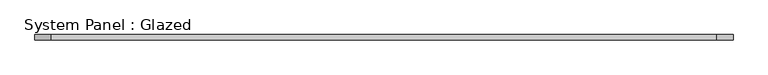
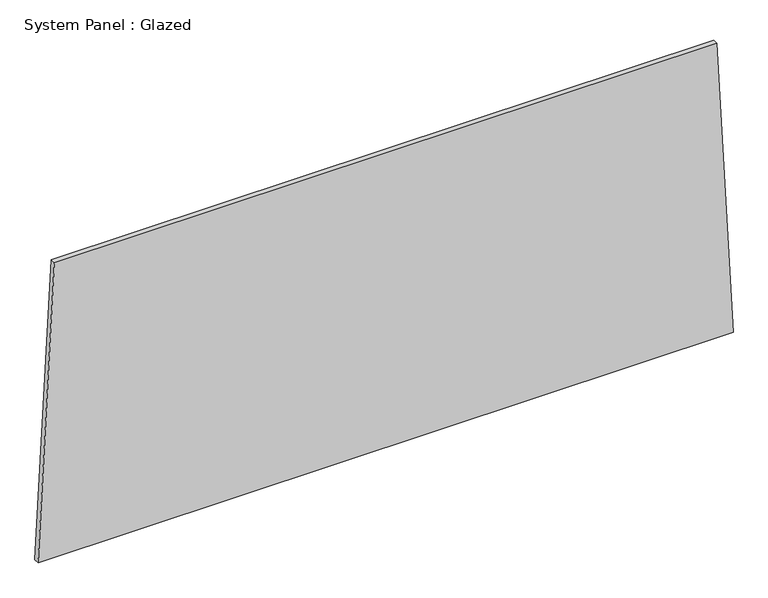
"""IFC4 building model written with IfcOpenShell, lengths in millimetres: plate geometry, System Panel : Glazed."""

from ifc_helpers import new_model, si_unit, frame, origin, place, context, project, spatial, polyline, outline, extrude, source, transform, mapped, element, save


def system_panel_glazed_ad6fa56d(model_context):
    return source(origin(), model_context, "Body", "SweptSolid", [
        extrude(outline(polyline([(0.0, -1616.2928197), (0.0, 1616.2928197), (1447.9568842, 1540.6279252), (1447.9559351, -1540.6271706), (0.0, -1616.2928197)])), frame((0.0, -49.5, 0.0), z_axis=(0.0, 1.0, 0.0), x_axis=(0.0, 0.0, 1.0)), (0.0, 0.0, 1.0), 25.0),
    ])


if __name__ == "__main__":
    model = new_model("IFC4")
    model_context = context("Model", 3, world=origin())
    ifc_project = project(units=[si_unit("LENGTHUNIT", "METRE", prefix="MILLI")], contexts=[model_context])
    site = spatial("IfcSite", under=ifc_project)
    building = spatial("IfcBuilding", under=site)
    placement = place(None, origin())
    system_panel_glazed_shape = system_panel_glazed_ad6fa56d(model_context)
    element("IfcPlate", 1, ObjectType="System Panel : Glazed", at=placement, inside=building, context=model_context, shape_type="MappedRepresentation", body=[
        mapped(system_panel_glazed_shape, transform((0.0, 0.0, 0.0), x_axis=(1.0, 0.0, 0.0), y_axis=(0.0, 1.0, 0.0), z_axis=(0.0, 0.0, 1.0))),
    ])
    save(model, "model.ifc")
